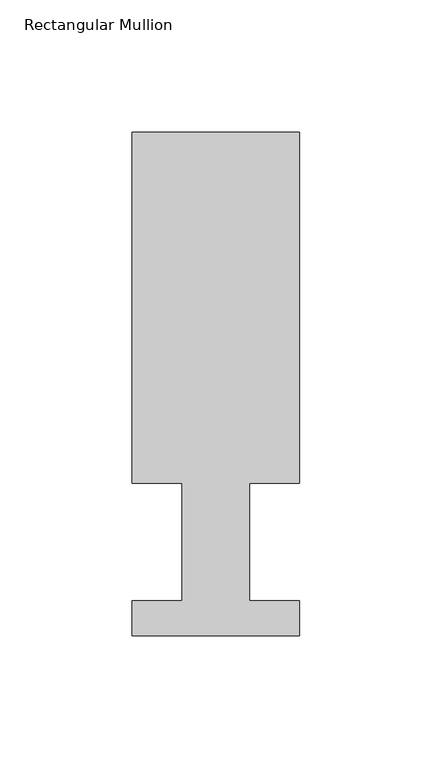
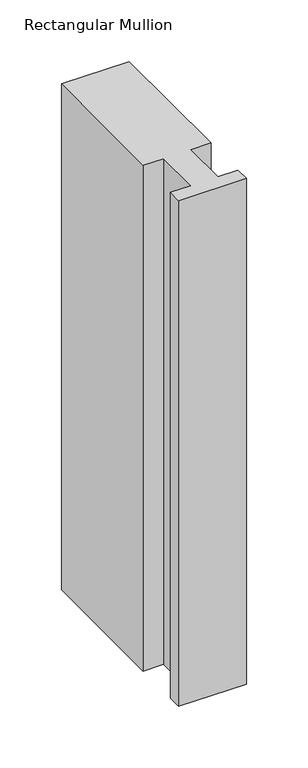
"""IFC4 building model written with IfcOpenShell, lengths in millimetres: member geometry, Rectangular Mullion."""

from ifc_helpers import new_model, si_unit, frame, origin, place, context, project, spatial, polyline, outline, extrude, source, transform, mapped, element, save


def rectangular_mullion_26ccafa2(model_context):
    return source(origin(), model_context, "Body", "SweptSolid", [
        extrude(outline(polyline([(-63.5, 190.5896938), (0.0, 190.5896938), (0.0, 57.6460937), (-19.0373, 57.6460937), (-19.0373, 13.1960938), (0.0, 13.1960938), (0.0, 0.0134938), (-63.5, 0.0134938), (-63.5, 13.1960938), (-44.45, 13.1960938), (-44.45, 57.6460937), (-63.5, 57.6460937), (-63.5, 190.5896938)])), frame((0.0, 0.0, -501.68175), z_axis=(0.0, 0.0, 1.0), x_axis=(1.0, 0.0, 0.0)), (0.0, 0.0, 1.0), 501.68175),
    ])


if __name__ == "__main__":
    model = new_model("IFC4")
    model_context = context("Model", 3, world=origin())
    ifc_project = project(units=[si_unit("LENGTHUNIT", "METRE", prefix="MILLI")], contexts=[model_context])
    site = spatial("IfcSite", under=ifc_project)
    building = spatial("IfcBuilding", under=site)
    placement = place(None, origin())
    rectangular_mullion_shape = rectangular_mullion_26ccafa2(model_context)
    element("IfcMember", 1, ObjectType="Rectangular Mullion", at=placement, inside=building, context=model_context, shape_type="MappedRepresentation", body=[
        mapped(rectangular_mullion_shape, transform((0.0, 0.0, 0.0), x_axis=(1.0, 0.0, 0.0), y_axis=(0.0, 1.0, 0.0), z_axis=(0.0, 0.0, 1.0))),
    ])
    save(model, "model.ifc")
